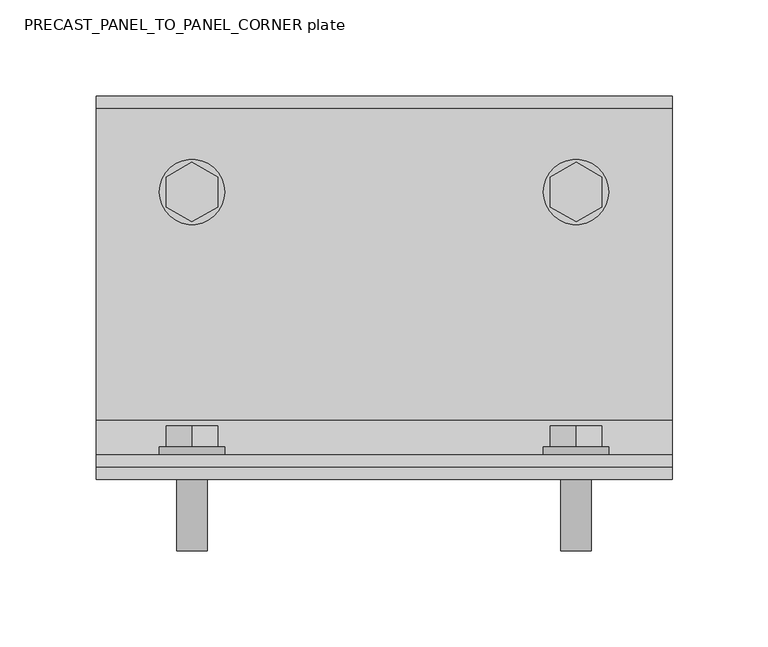
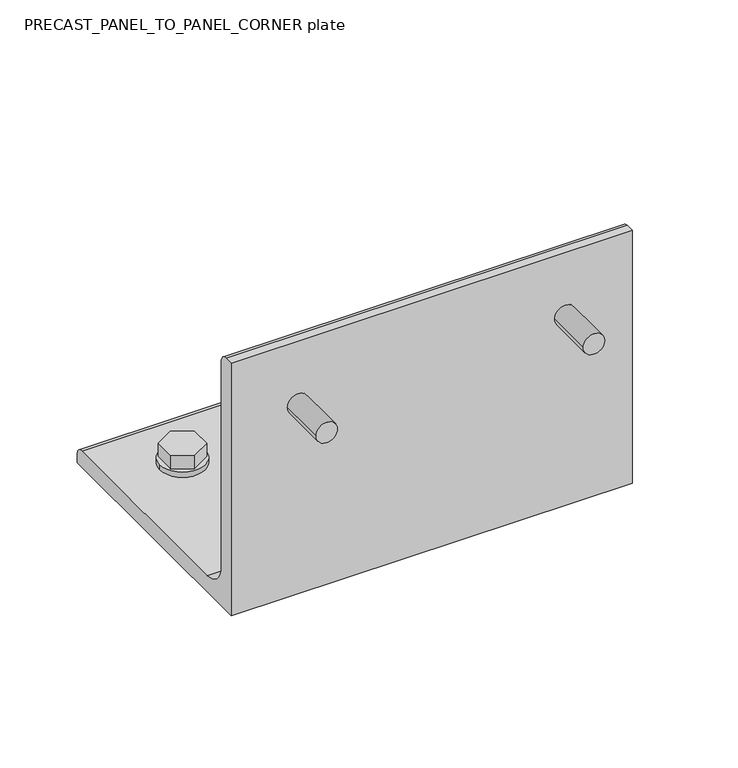
"""IFC4 building model written with IfcOpenShell, lengths in millimetres: fastener geometry, PRECAST_PANEL_TO_PANEL_CORNER plate."""

from ifc_helpers import new_model, si_unit, point, frame, frame_2d, origin, place, context, project, spatial, polyline, circle_curve, trimmed, segment, composite_curve, outline, extrude, source, transform, mapped, element, save


def precast_panel_to_panel_corner_plate_e4b9ebbd(model_context):
    return source(origin(), model_context, "Body", "SweptSolid", [
        extrude(outline(composite_curve([segment(trimmed(circle_curve(frame_2d((150.0, -100.0)), 17.0), [point((150.0, -83.0))], [point((150.0, -117.0))], False, "CARTESIAN"), True, "CONTINUOUS"), segment(trimmed(circle_curve(frame_2d((150.0, -100.0)), 17.0), [point((150.0, -117.0))], [point((150.0, -83.0))], False, "CARTESIAN"), True, "CONTINUOUS")], self_intersect=False)), frame((0.0, 13.0, 0.0), z_axis=(0.0, 1.0, 0.0), x_axis=(0.0, 0.0, 1.0)), (0.0, 0.0, 1.0), 4.0),
        extrude(outline(polyline([(165.5884573, -100.0), (157.7942286, -113.5), (142.2057714, -113.5), (134.4115427, -100.0), (142.2057714, -86.5), (157.7942286, -86.5), (165.5884573, -100.0)])), frame((0.0, 17.0, 0.0), z_axis=(0.0, 1.0, 0.0), x_axis=(0.0, 0.0, 1.0)), (0.0, 0.0, 1.0), 11.0),
        extrude(outline(composite_curve([segment(trimmed(circle_curve(frame_2d((150.0, -100.0)), 8.0), [point((150.0, -92.0))], [point((150.0, -108.0))], False, "CARTESIAN"), True, "CONTINUOUS"), segment(trimmed(circle_curve(frame_2d((150.0, -100.0)), 8.0), [point((150.0, -108.0))], [point((150.0, -92.0))], False, "CARTESIAN"), True, "CONTINUOUS")], self_intersect=False)), frame((0.0, -37.0, 0.0), z_axis=(0.0, 1.0, 0.0), x_axis=(0.0, 0.0, 1.0)), (0.0, 0.0, 1.0), 50.0),
        extrude(outline(composite_curve([segment(trimmed(circle_curve(frame_2d((150.0, 100.0)), 17.0), [point((150.0, 117.0))], [point((150.0, 83.0))], False, "CARTESIAN"), True, "CONTINUOUS"), segment(trimmed(circle_curve(frame_2d((150.0, 100.0)), 17.0), [point((150.0, 83.0))], [point((150.0, 117.0))], False, "CARTESIAN"), True, "CONTINUOUS")], self_intersect=False)), frame((0.0, 13.0, 0.0), z_axis=(0.0, 1.0, 0.0), x_axis=(0.0, 0.0, 1.0)), (0.0, 0.0, 1.0), 4.0),
        extrude(outline(polyline([(165.5884573, 100.0), (157.7942286, 86.5), (142.2057714, 86.5), (134.4115427, 100.0), (142.2057714, 113.5), (157.7942286, 113.5), (165.5884573, 100.0)])), frame((0.0, 17.0, 0.0), z_axis=(0.0, 1.0, 0.0), x_axis=(0.0, 0.0, 1.0)), (0.0, 0.0, 1.0), 11.0),
        extrude(outline(composite_curve([segment(trimmed(circle_curve(frame_2d((150.0, 100.0)), 8.0), [point((150.0, 108.0))], [point((150.0, 92.0))], False, "CARTESIAN"), True, "CONTINUOUS"), segment(trimmed(circle_curve(frame_2d((150.0, 100.0)), 8.0), [point((150.0, 92.0))], [point((150.0, 108.0))], False, "CARTESIAN"), True, "CONTINUOUS")], self_intersect=False)), frame((0.0, -37.0, 0.0), z_axis=(0.0, 1.0, 0.0), x_axis=(0.0, 0.0, 1.0)), (0.0, 0.0, 1.0), 50.0),
        extrude(outline(composite_curve([segment(trimmed(circle_curve(frame_2d((100.0, 150.0)), 17.0), [point((83.0, 150.0))], [point((117.0, 150.0))], False, "CARTESIAN"), True, "CONTINUOUS"), segment(trimmed(circle_curve(frame_2d((100.0, 150.0)), 17.0), [point((117.0, 150.0))], [point((83.0, 150.0))], False, "CARTESIAN"), True, "CONTINUOUS")], self_intersect=False)), frame((0.0, 0.0, 13.0), z_axis=(0.0, 0.0, 1.0), x_axis=(1.0, 0.0, 0.0)), (0.0, 0.0, 1.0), 4.0),
        extrude(outline(polyline([(100.0, 165.5884573), (113.5, 157.7942286), (113.5, 142.2057714), (100.0, 134.4115427), (86.5, 142.2057714), (86.5, 157.7942286), (100.0, 165.5884573)])), frame((0.0, 0.0, 17.0), z_axis=(0.0, 0.0, 1.0), x_axis=(1.0, 0.0, 0.0)), (0.0, 0.0, 1.0), 11.0),
        extrude(outline(composite_curve([segment(trimmed(circle_curve(frame_2d((100.0, 150.0)), 8.0), [point((92.0, 150.0))], [point((108.0, 150.0))], False, "CARTESIAN"), True, "CONTINUOUS"), segment(trimmed(circle_curve(frame_2d((100.0, 150.0)), 8.0), [point((108.0, 150.0))], [point((92.0, 150.0))], False, "CARTESIAN"), True, "CONTINUOUS")], self_intersect=False)), frame((0.0, 0.0, -37.0), z_axis=(0.0, 0.0, 1.0), x_axis=(1.0, 0.0, 0.0)), (0.0, 0.0, 1.0), 50.0),
        extrude(outline(composite_curve([segment(trimmed(circle_curve(frame_2d((-100.0, 150.0)), 17.0), [point((-117.0, 150.0))], [point((-83.0, 150.0))], False, "CARTESIAN"), True, "CONTINUOUS"), segment(trimmed(circle_curve(frame_2d((-100.0, 150.0)), 17.0), [point((-83.0, 150.0))], [point((-117.0, 150.0))], False, "CARTESIAN"), True, "CONTINUOUS")], self_intersect=False)), frame((0.0, 0.0, 13.0), z_axis=(0.0, 0.0, 1.0), x_axis=(1.0, 0.0, 0.0)), (0.0, 0.0, 1.0), 4.0),
        extrude(outline(polyline([(-100.0, 165.5884573), (-86.5, 157.7942286), (-86.5, 142.2057714), (-100.0, 134.4115427), (-113.5, 142.2057714), (-113.5, 157.7942286), (-100.0, 165.5884573)])), frame((0.0, 0.0, 17.0), z_axis=(0.0, 0.0, 1.0), x_axis=(1.0, 0.0, 0.0)), (0.0, 0.0, 1.0), 11.0),
        extrude(outline(composite_curve([segment(trimmed(circle_curve(frame_2d((-100.0, 150.0)), 8.0), [point((-108.0, 150.0))], [point((-92.0, 150.0))], False, "CARTESIAN"), True, "CONTINUOUS"), segment(trimmed(circle_curve(frame_2d((-100.0, 150.0)), 8.0), [point((-92.0, 150.0))], [point((-108.0, 150.0))], False, "CARTESIAN"), True, "CONTINUOUS")], self_intersect=False)), frame((0.0, 0.0, -37.0), z_axis=(0.0, 0.0, 1.0), x_axis=(1.0, 0.0, 0.0)), (0.0, 0.0, 1.0), 50.0),
        extrude(outline(composite_curve([segment(polyline([(0.0, 200.0), (6.5, 200.0)]), True, "CONTINUOUS"), segment(trimmed(circle_curve(frame_2d((6.5, 193.5)), 6.5), [point((6.5, 200.0))], [point((13.0, 193.5))], False, "CARTESIAN"), True, "CONTINUOUS"), segment(polyline([(13.0, 193.5), (13.0, 31.0)]), True, "CONTINUOUS"), segment(trimmed(circle_curve(frame_2d((31.0, 31.0)), 18.0), [point((13.0, 31.0))], [point((31.0, 13.0))], True, "CARTESIAN"), True, "CONTINUOUS"), segment(polyline([(31.0, 13.0), (193.5, 13.0)]), True, "CONTINUOUS"), segment(trimmed(circle_curve(frame_2d((193.5, 6.5)), 6.5), [point((193.5, 13.0))], [point((200.0, 6.5))], False, "CARTESIAN"), True, "CONTINUOUS"), segment(polyline([(200.0, 6.5), (200.0, 0.0), (0.0, 0.0), (0.0, 200.0)]), True, "CONTINUOUS")], self_intersect=False)), frame((-150.0, 0.0, 0.0), z_axis=(1.0, 0.0, 0.0), x_axis=(0.0, 1.0, 0.0)), (0.0, 0.0, 1.0), 300.0),
    ])


if __name__ == "__main__":
    model = new_model("IFC4")
    model_context = context("Model", 3, world=origin())
    ifc_project = project(units=[si_unit("LENGTHUNIT", "METRE", prefix="MILLI")], contexts=[model_context])
    site = spatial("IfcSite", under=ifc_project)
    building = spatial("IfcBuilding", under=site)
    placement = place(None, origin())
    precast_panel_to_panel_corner_plate_shape = precast_panel_to_panel_corner_plate_e4b9ebbd(model_context)
    element("IfcFastener", 1, ObjectType="PRECAST_PANEL_TO_PANEL_CORNER plate", at=placement, inside=building, context=model_context, shape_type="MappedRepresentation", body=[
        mapped(precast_panel_to_panel_corner_plate_shape, transform((0.0, 0.0, 0.0), x_axis=(1.0, 0.0, 0.0), y_axis=(0.0, 1.0, 0.0), z_axis=(0.0, 0.0, 1.0))),
    ])
    save(model, "model.ifc")
